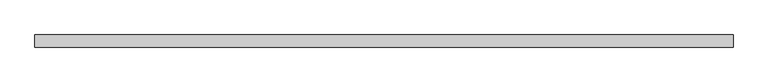
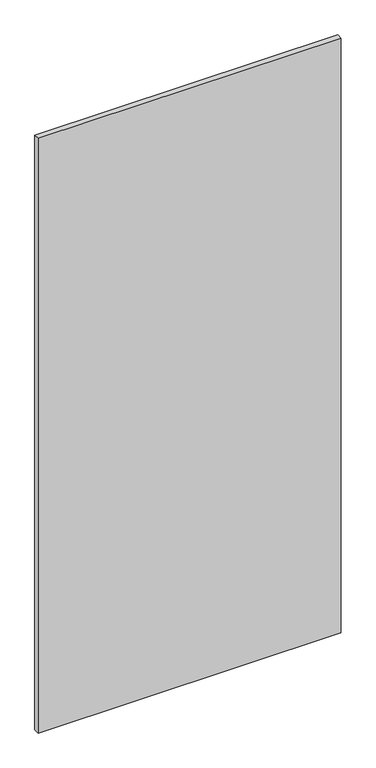
"""IFC4 building model written with IfcOpenShell, lengths in millimetres: proxy geometry."""

from ifc_helpers import new_model, si_unit, frame, origin, place, context, project, spatial, polyline, outline, extrude, source, transform, mapped, element, save


def specialty_equipment_668b960f(model_context):
    return source(origin(), model_context, "Body", "SweptSolid", [
        extrude(outline(polyline([(531.5204, 9.525), (531.5204, -9.525), (-531.5204, -9.525), (-531.5204, 9.525), (531.5204, 9.525)])), frame((0.0, 0.0, 3.175), z_axis=(0.0, 0.0, 1.0), x_axis=(1.0, 0.0, 0.0)), (0.0, 0.0, 1.0), 2203.45),
    ])


if __name__ == "__main__":
    model = new_model("IFC4")
    model_context = context("Model", 3, world=origin())
    ifc_project = project(units=[si_unit("LENGTHUNIT", "METRE", prefix="MILLI")], contexts=[model_context])
    site = spatial("IfcSite", under=ifc_project)
    building = spatial("IfcBuilding", under=site)
    placement = place(None, origin())
    specialty_equipment_shape = specialty_equipment_668b960f(model_context)
    element("IfcBuildingElementProxy", 1, Name="Specialty Equipment", at=placement, inside=building, context=model_context, shape_type="MappedRepresentation", body=[
        mapped(specialty_equipment_shape, transform((0.0, 0.0, 0.0), x_axis=(1.0, 0.0, 0.0), y_axis=(0.0, 1.0, 0.0), z_axis=(0.0, 0.0, 1.0))),
    ])
    save(model, "model.ifc")
